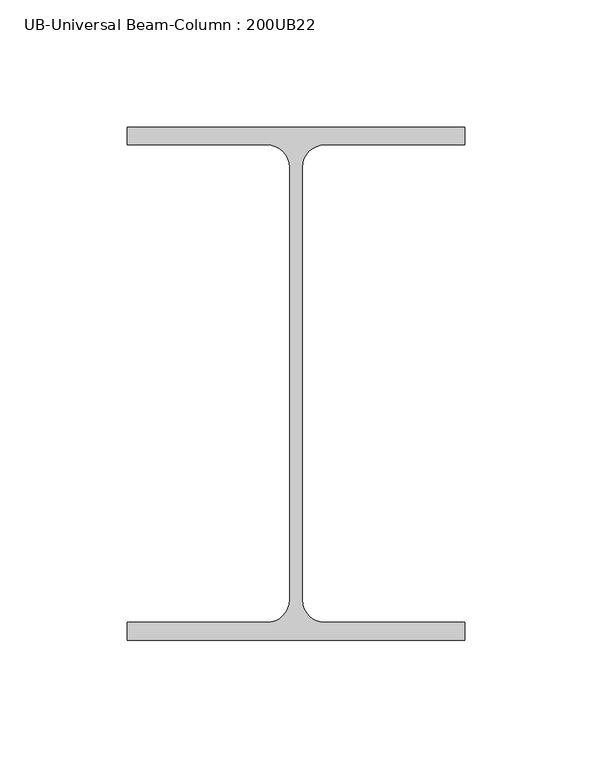
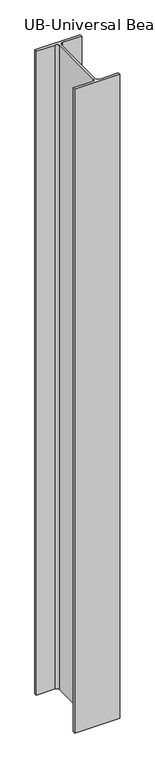
"""IFC4 building model written with IfcOpenShell, lengths in millimetres: column geometry, UB-Universal Beam-Column : 200UB22."""

from ifc_helpers import new_model, si_unit, point, frame_2d, origin, origin_with_axes, place, context, project, spatial, polyline, circle_curve, trimmed, segment, composite_curve, outline, extrude, source, transform, mapped, element, save


def ub_universal_beam_column_200ub22_340661e3(model_context):
    return source(origin(), model_context, "Body", "SweptSolid", [
        extrude(outline(composite_curve([segment(polyline([(66.5, 101.0), (66.5, 94.0), (11.4, 94.0)]), True, "CONTINUOUS"), segment(trimmed(circle_curve(frame_2d((11.4, 85.1)), 8.9), [point((11.4, 94.0))], [point((2.5, 85.1))], True, "CARTESIAN"), True, "CONTINUOUS"), segment(polyline([(2.5, 85.1), (2.5, -85.1)]), True, "CONTINUOUS"), segment(trimmed(circle_curve(frame_2d((11.4, -85.1)), 8.9), [point((2.5, -85.1))], [point((11.4, -94.0))], True, "CARTESIAN"), True, "CONTINUOUS"), segment(polyline([(11.4, -94.0), (66.5, -94.0), (66.5, -101.0), (-66.5, -101.0), (-66.5, -94.0), (-11.4, -94.0)]), True, "CONTINUOUS"), segment(trimmed(circle_curve(frame_2d((-11.4, -85.1)), 8.9), [point((-11.4, -94.0))], [point((-2.5, -85.1))], True, "CARTESIAN"), True, "CONTINUOUS"), segment(polyline([(-2.5, -85.1), (-2.5, 85.1)]), True, "CONTINUOUS"), segment(trimmed(circle_curve(frame_2d((-11.4, 85.1)), 8.9), [point((-2.5, 85.1))], [point((-11.4, 94.0))], True, "CARTESIAN"), True, "CONTINUOUS"), segment(polyline([(-11.4, 94.0), (-66.5, 94.0), (-66.5, 101.0), (66.5, 101.0)]), True, "CONTINUOUS")], self_intersect=False)), origin_with_axes(), (0.0, 0.0, 1.0), 2000.0),
    ])


if __name__ == "__main__":
    model = new_model("IFC4")
    model_context = context("Model", 3, world=origin())
    ifc_project = project(units=[si_unit("LENGTHUNIT", "METRE", prefix="MILLI")], contexts=[model_context])
    site = spatial("IfcSite", under=ifc_project)
    building = spatial("IfcBuilding", under=site)
    placement = place(None, origin())
    ub_universal_beam_column_200ub22_shape = ub_universal_beam_column_200ub22_340661e3(model_context)
    element("IfcColumn", 1, ObjectType="UB-Universal Beam-Column : 200UB22", at=placement, inside=building, context=model_context, shape_type="MappedRepresentation", body=[
        mapped(ub_universal_beam_column_200ub22_shape, transform((0.0, 0.0, 0.0), x_axis=(1.0, 0.0, 0.0), y_axis=(0.0, 1.0, 0.0), z_axis=(0.0, 0.0, 1.0))),
    ])
    save(model, "model.ifc")
